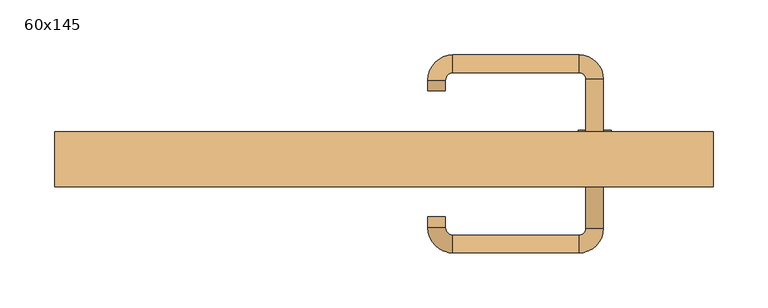
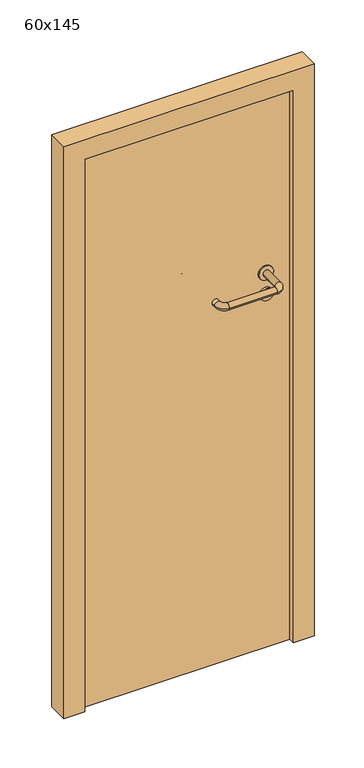
"""IFC4 building model written with IfcOpenShell, lengths in millimetres: door geometry, 60x145."""

import ifcopenshell
import ifcopenshell.guid

model = None  # the IFC model being written
_history = None  # IfcOwnerHistory: only IFC2X3 demands one
_inside = {}  # id of a spatial element -> (the spatial element, [elements in it])
_under = {}  # id of a project, library or spatial element -> (it, [spatial elements below it])
_declared = {}  # id of a project -> (the project, [libraries it declares])
_typed = {}  # id of a type object -> (the type object, [elements of that type])
_made_of = {}  # id of a material, layer set ... -> (it, [elements and type objects made of it])


def new_model(schema):
    """Start an empty IFC model of exactly this schema.

    Asked for "IFC4X3", IfcOpenShell would pick the latest addendum, in which some entities
    have other attributes; the version numbers below select the first issue.
    IFC2X3 requires an IfcOwnerHistory on every rooted entity: one is made here for all.
    """
    global model, _history
    if schema == "IFC4X3":
        model = ifcopenshell.file(schema_version=(4, 3, 0, 0))
    else:
        model = ifcopenshell.file(schema=schema)
    _inside.clear()
    _under.clear()
    _declared.clear()
    _typed.clear()
    _made_of.clear()
    _history = None
    if model.schema == "IFC2X3":
        org = make("IfcOrganization", Name="unknown")
        user = make(
            "IfcPersonAndOrganization",
            ThePerson=make("IfcPerson", FamilyName="unknown"),
            TheOrganization=org,
        )
        app = make(
            "IfcApplication",
            ApplicationDeveloper=org,
            Version="unknown",
            ApplicationFullName="unknown",
            ApplicationIdentifier="unknown",
        )
        _history = make(
            "IfcOwnerHistory",
            OwningUser=user,
            OwningApplication=app,
            ChangeAction="ADDED",
            CreationDate=0,
        )
    return model


def make(cls, **values):
    """One entity of the class cls with the attributes given. An attribute that is None is left unset."""
    return model.create_entity(
        cls, **{name: value for name, value in values.items() if value is not None}
    )


def rooted(cls, **values):
    """An entity with a GlobalId (a new one), such as an element, a storey or a relation."""
    return make(cls, GlobalId=ifcopenshell.guid.new(), OwnerHistory=_history, **values)


def si_unit(unit_type, name, prefix=None):
    """IfcSIUnit, for example si_unit("LENGTHUNIT", "METRE", prefix="MILLI")."""
    return make("IfcSIUnit", UnitType=unit_type, Prefix=prefix, Name=name)


def assignment(units):
    """IfcUnitAssignment: the units of a project."""
    return None if units is None else make("IfcUnitAssignment", Units=units)


def point(xyz):
    """IfcCartesianPoint."""
    return None if xyz is None else make("IfcCartesianPoint", Coordinates=xyz)


def direction(xyz):
    """IfcDirection."""
    return None if xyz is None else make("IfcDirection", DirectionRatios=xyz)


def frame(location, z_axis=None, x_axis=None):
    """IfcAxis2Placement3D, a coordinate frame: its origin and axes. An axis left out is left unset."""
    return make(
        "IfcAxis2Placement3D",
        Location=point(location),
        Axis=direction(z_axis),
        RefDirection=direction(x_axis),
    )


def frame_2d(location, x_axis=None):
    """IfcAxis2Placement2D, a coordinate frame in the plane: its origin and x axis."""
    return make(
        "IfcAxis2Placement2D", Location=point(location), RefDirection=direction(x_axis)
    )


def origin():
    """The frame at (0, 0, 0) with its axes left unset."""
    return frame((0.0, 0.0, 0.0))


def origin_with_axes():
    """The frame at (0, 0, 0) with the z axis (0, 0, 1) and the x axis (1, 0, 0) written out."""
    return frame((0.0, 0.0, 0.0), z_axis=(0.0, 0.0, 1.0), x_axis=(1.0, 0.0, 0.0))


def place(relative_to, where):
    """IfcLocalPlacement: puts the frame where relative to a parent placement (None: the world)."""
    return make(
        "IfcLocalPlacement", PlacementRelTo=relative_to, RelativePlacement=where
    )


def context(
    kind, dimensions, precision=None, world=None, true_north=None, identifier=None
):
    """IfcGeometricRepresentationContext, for example the 3D "Model" context."""
    return make(
        "IfcGeometricRepresentationContext",
        ContextIdentifier=identifier,
        ContextType=kind,
        CoordinateSpaceDimension=dimensions,
        Precision=precision,
        WorldCoordinateSystem=world,
        TrueNorth=true_north,
    )


def project(units=None, contexts=None):
    """IfcProject with its units and contexts."""
    return rooted(
        "IfcProject",
        Name="project",
        RepresentationContexts=contexts,
        UnitsInContext=assignment(units),
    )


def spatial(cls, under=None, at=None, **own):
    """A site, building, storey or space (cls), placed at a placement, below another one or the project."""
    s = rooted(cls, ObjectPlacement=at, **own)
    if under is not None:
        _under.setdefault(under.id(), (under, []))[1].append(s)
    return s


def polyline(points):
    """IfcPolyline through the points."""
    return make("IfcPolyline", Points=[point(p) for p in points])


def circle_curve(where, radius):
    """IfcCircle in the frame where."""
    return make("IfcCircle", Position=where, Radius=radius)


def ellipse_curve(where, semi_axis1, semi_axis2):
    """IfcEllipse in the frame where."""
    return make(
        "IfcEllipse", Position=where, SemiAxis1=semi_axis1, SemiAxis2=semi_axis2
    )


def trimmed(basis, trim1, trim2, sense, master):
    """IfcTrimmedCurve: the piece of a basis curve between two trims."""
    return make(
        "IfcTrimmedCurve",
        BasisCurve=basis,
        Trim1=trim1,
        Trim2=trim2,
        SenseAgreement=sense,
        MasterRepresentation=master,
    )


def segment(curve, same_sense, transition):
    """IfcCompositeCurveSegment."""
    return make(
        "IfcCompositeCurveSegment",
        Transition=transition,
        SameSense=same_sense,
        ParentCurve=curve,
    )


def composite_curve(segments, self_intersect=None):
    """IfcCompositeCurve: segments joined end to end."""
    return make("IfcCompositeCurve", Segments=segments, SelfIntersect=self_intersect)


def outline(outer, holes=None, kind="AREA"):
    """IfcArbitraryClosedProfileDef: a profile drawn as a closed curve; with holes, ...WithVoids."""
    if holes is None:
        return make("IfcArbitraryClosedProfileDef", ProfileType=kind, OuterCurve=outer)
    return make(
        "IfcArbitraryProfileDefWithVoids",
        ProfileType=kind,
        OuterCurve=outer,
        InnerCurves=holes,
    )


def extrude(swept, where, along, depth):
    """IfcExtrudedAreaSolid: the profile swept, set in the frame where, extruded along a direction by depth."""
    return make(
        "IfcExtrudedAreaSolid",
        SweptArea=swept,
        Position=where,
        ExtrudedDirection=direction(along),
        Depth=depth,
    )


def shape(context_of_items, identifier, shape_type, items):
    """IfcShapeRepresentation: the items that make up one representation, for example the "Body"."""
    return make(
        "IfcShapeRepresentation",
        ContextOfItems=context_of_items,
        RepresentationIdentifier=identifier,
        RepresentationType=shape_type,
        Items=items,
    )


def source(mapping_origin, context_of_items, identifier, shape_type, items):
    """IfcRepresentationMap: a shape defined once, which mapped items show again and again."""
    return make(
        "IfcRepresentationMap",
        MappingOrigin=mapping_origin,
        MappedRepresentation=shape(context_of_items, identifier, shape_type, items),
    )


def transform(
    local_origin,
    x_axis=None,
    y_axis=None,
    z_axis=None,
    scale=None,
    scale2=None,
    scale3=None,
    uniform=True,
):
    """IfcCartesianTransformationOperator3D, or its non-uniform kind. x_axis, y_axis, z_axis: its Axis1, 2, 3."""
    if uniform:
        return make(
            "IfcCartesianTransformationOperator3D",
            Axis1=direction(x_axis),
            Axis2=direction(y_axis),
            LocalOrigin=point(local_origin),
            Scale=scale,
            Axis3=direction(z_axis),
        )
    return make(
        "IfcCartesianTransformationOperator3DnonUniform",
        Axis1=direction(x_axis),
        Axis2=direction(y_axis),
        LocalOrigin=point(local_origin),
        Scale=scale,
        Axis3=direction(z_axis),
        Scale2=scale2,
        Scale3=scale3,
    )


def mapped(mapping_source, mapping_target):
    """IfcMappedItem: shows the shape of a source again, moved by a transform."""
    return make(
        "IfcMappedItem", MappingSource=mapping_source, MappingTarget=mapping_target
    )


def made_of(thing, what):
    """Note that an element or type object is made of a material, layer set ...; save() writes the relation."""
    if what is not None:
        _made_of.setdefault(what.id(), (what, []))[1].append(thing)
    return thing


def element(
    cls,
    number,
    at=None,
    inside=None,
    cuts=None,
    type_object=None,
    material=None,
    context=None,
    identifier="Body",
    shape_type=None,
    held_by="IfcProductDefinitionShape",
    body=None,
    shapes=None,
    **own,
):
    """One element of the class cls, such as IfcWall. Its Tag is "e" and its number.

    at: its placement. inside: the storey or other place that contains it. cuts: it is an
    opening in that element (IfcRelVoidsElement). A single representation is given by context,
    identifier, shape_type and body (its items); several are given by shapes. held_by: the class
    of the entity that holds the representations. save() writes the other relations.
    """
    e = rooted(cls, Tag="e%d" % number, ObjectPlacement=at, **own)
    if body is not None:
        shapes = [shape(context, identifier, shape_type, body)]
    if shapes is not None:
        e.Representation = make(held_by, Representations=shapes)
    if inside is not None:
        _inside.setdefault(inside.id(), (inside, []))[1].append(e)
    if cuts is not None:
        rooted(
            "IfcRelVoidsElement", RelatingBuildingElement=cuts, RelatedOpeningElement=e
        )
    if type_object is not None:
        _typed.setdefault(type_object.id(), (type_object, []))[1].append(e)
    return made_of(e, material)


def aggregate(whole, parts):
    """IfcRelAggregates: a whole, such as a stair, and the parts it consists of."""
    return rooted("IfcRelAggregates", RelatingObject=whole, RelatedObjects=parts)


def save(model, path):
    """Write the relations noted so far, then the file.

    IfcRelAggregates (storeys below a building ...), IfcRelContainedInSpatialStructure (elements
    in a storey), IfcRelDefinesByType, IfcRelAssociatesMaterial and IfcRelDeclares: one each for
    every whole, place, type object, material and project.
    """
    for whole, parts in _under.values():
        aggregate(whole, parts)
    for where, things in _inside.values():
        rooted(
            "IfcRelContainedInSpatialStructure",
            RelatedElements=things,
            RelatingStructure=where,
        )
    for kind, things in _typed.values():
        rooted("IfcRelDefinesByType", RelatedObjects=things, RelatingType=kind)
    for what, things in _made_of.values():
        rooted("IfcRelAssociatesMaterial", RelatedObjects=things, RelatingMaterial=what)
    for by, libraries in _declared.values():
        rooted("IfcRelDeclares", RelatingContext=by, RelatedDefinitions=libraries)
    model.write(path)


def plane_surface(at):
    """IfcPlane: the flat surface through the origin of the frame at, square to its z axis."""
    return make("IfcPlane", Position=at)


def cylinder_surface(at, radius):
    """IfcCylindricalSurface: all points at the distance radius from the z axis of the frame at."""
    return make("IfcCylindricalSurface", Position=at, Radius=radius)


def revolved_surface(curve, axis_point, axis_direction):
    """IfcSurfaceOfRevolution: the curve turned about the line through axis_point along axis_direction."""
    return make(
        "IfcSurfaceOfRevolution",
        SweptCurve=make("IfcArbitraryOpenProfileDef", ProfileType="CURVE", Curve=curve),
        AxisPosition=make("IfcAxis1Placement", Location=point(axis_point), Axis=direction(axis_direction)),
    )


def advanced_brep(points, edges, surfaces, faces):
    """IfcAdvancedBrep: a solid bounded by faces that lie on surfaces and meet in shared edges.

    An edge is (start, end): straight between two places in points (the first is 0);
    or (start, end, curve); or (start, end, curve, False) where it runs against its curve.
    A face is (place in surfaces, loops), or (place, loops, False) where it looks against
    its surface's normal. A loop lists edges by number (the first is 1), with a minus sign
    where the edge is run from its end to its start. The first loop is the outer one.
    """
    corners = [point(p) for p in points]
    vertices = [make("IfcVertexPoint", VertexGeometry=c) for c in corners]
    made = []
    for start, end, *more in edges:
        made.append(
            make(
                "IfcEdgeCurve",
                EdgeStart=vertices[start],
                EdgeEnd=vertices[end],
                EdgeGeometry=more[0] if more else make("IfcPolyline", Points=[corners[start], corners[end]]),
                SameSense=more[1] if len(more) > 1 else True,
            )
        )
    hull = []
    for where, loops, *sense in faces:
        bounds = []
        for j, loop in enumerate(loops):
            ring = [make("IfcOrientedEdge", EdgeElement=made[abs(k) - 1], Orientation=k > 0) for k in loop]
            bounds.append(
                make(
                    "IfcFaceOuterBound" if j == 0 else "IfcFaceBound",
                    Bound=make("IfcEdgeLoop", EdgeList=ring),
                    Orientation=True,
                )
            )
        hull.append(make("IfcAdvancedFace", Bounds=bounds, FaceSurface=surfaces[where], SameSense=sense[0] if sense else True))
    return make("IfcAdvancedBrep", Outer=make("IfcClosedShell", CfsFaces=hull))


def door_60x145_85c1153f(model_context):
    return source(origin(), model_context, "Body", "SolidModel", [
        extrude(outline(composite_curve([segment(trimmed(circle_curve(frame_2d((897.3605726, 192.0)), 15.0), [point((897.3605726, 207.0))], [point((897.3605726, 177.0))], False, "CARTESIAN"), True, "CONTINUOUS"), segment(trimmed(circle_curve(frame_2d((897.3605726, 192.0)), 15.0), [point((897.3605726, 177.0))], [point((897.3605726, 207.0))], False, "CARTESIAN"), True, "CONTINUOUS")], self_intersect=False), holes=[composite_curve([segment(trimmed(circle_curve(frame_2d((892.5833211, 191.9398032)), 2.0), [point((892.5833211, 193.9398032))], [point((892.5833211, 189.9398032))], True, "CARTESIAN"), True, "CONTINUOUS"), segment(polyline([(892.5833211, 189.9398032), (902.5833211, 189.9398032)]), True, "CONTINUOUS"), segment(trimmed(circle_curve(frame_2d((902.5833211, 191.9398032)), 2.0), [point((902.5833211, 189.9398032))], [point((902.5833211, 193.9398032))], True, "CARTESIAN"), True, "CONTINUOUS"), segment(polyline([(902.5833211, 193.9398032), (892.5833211, 193.9398032)]), True, "CONTINUOUS")], self_intersect=False)]), frame((0.0, 33.65, 0.0), z_axis=(0.0, 1.0, 0.0), x_axis=(0.0, 0.0, 1.0)), (0.0, 0.0, 1.0), 6.35),
        extrude(outline(composite_curve([segment(trimmed(circle_curve(frame_2d((950.0, 192.0)), 17.526), [point((950.0, 209.526))], [point((950.0, 174.474))], False, "CARTESIAN"), True, "CONTINUOUS"), segment(trimmed(circle_curve(frame_2d((950.0, 192.0)), 17.526), [point((950.0, 174.474))], [point((950.0, 209.526))], False, "CARTESIAN"), True, "CONTINUOUS")], self_intersect=False)), frame((0.0, 36.825, 0.0), z_axis=(0.0, 1.0, 0.0), x_axis=(0.0, 0.0, 1.0)), (0.0, 0.0, 1.0), 3.175),
        advanced_brep(
        [(200.0, 40.0, 950.0), (184.0, 40.0, 950.0), (184.0, -13.0, 950.0), (200.0, -13.0, 950.0), (177.8578644, -19.1421356, 950.0), (177.8578644, -35.1421356, 950.0), (62.8578644, -19.1421356, 950.0), (62.8578644, -35.1421356, 950.0), (56.008622, -12.2928932, 950.0), (40.008622, -12.2928932, 950.0), (40.008622, -2.2928932, 950.0), (56.008622, -2.2928932, 950.0)],
        [
            (0, 1, circle_curve(frame((192.0, 40.0, 950.0), z_axis=(0.0, 1.0, 0.0), x_axis=(-1.0, 0.0, 0.0)), 8.0)),
            (1, 0, circle_curve(frame((192.0, 40.0, 950.0), z_axis=(0.0, 1.0, 0.0), x_axis=(-1.0, 0.0, 0.0)), 8.0)),
            (1, 2),
            (2, 3, circle_curve(frame((192.0, -13.0, 950.0), z_axis=(0.0, 1.0, 0.0), x_axis=(-1.0, 0.0, 0.0)), 8.0)),
            (3, 0),
            (3, 2, circle_curve(frame((192.0, -13.0, 950.0), z_axis=(0.0, 1.0, 0.0), x_axis=(-1.0, 0.0, 0.0)), 8.0)),
            (4, 5, circle_curve(frame((177.8578644, -27.1421356, 950.0), z_axis=(1.0, 0.0, 0.0), x_axis=(0.0, 1.0, 0.0)), 8.0)),
            (5, 3, circle_curve(frame((177.8578644, -13.0, 950.0), z_axis=(0.0, 0.0, 1.0), x_axis=(1.0, 0.0, 0.0)), 22.1421356)),
            (2, 4, circle_curve(frame((177.8578644, -13.0, 950.0), z_axis=(0.0, 0.0, -1.0), x_axis=(1.0, 0.0, 0.0)), 6.1421356)),
            (5, 4, circle_curve(frame((177.8578644, -27.1421356, 950.0), z_axis=(1.0, 0.0, 0.0), x_axis=(0.0, 1.0, 0.0)), 8.0)),
            (4, 6),
            (6, 7, circle_curve(frame((62.8578644, -27.1421356, 950.0), z_axis=(1.0, 0.0, 0.0), x_axis=(0.0, 1.0, 0.0)), 8.0)),
            (7, 5),
            (7, 6, circle_curve(frame((62.8578644, -27.1421356, 950.0), z_axis=(1.0, 0.0, 0.0), x_axis=(0.0, 1.0, 0.0)), 8.0)),
            (8, 9, circle_curve(frame((48.008622, -12.2928932, 950.0), z_axis=(0.0, -1.0, 0.0), x_axis=(1.0, 0.0, 0.0)), 8.0)),
            (9, 7, circle_curve(frame((62.8578644, -12.2928932, 950.0), z_axis=(0.0, 0.0, 1.0), x_axis=(0.0, -1.0, 0.0)), 22.8492424)),
            (6, 8, circle_curve(frame((62.8578644, -12.2928932, 950.0), z_axis=(0.0, 0.0, -1.0), x_axis=(0.0, -1.0, 0.0)), 6.8492424)),
            (9, 8, circle_curve(frame((48.008622, -12.2928932, 950.0), z_axis=(0.0, -1.0, 0.0), x_axis=(1.0, 0.0, 0.0)), 8.0)),
            (10, 11, circle_curve(frame((48.008622, -2.2928932, 950.0), z_axis=(0.0, 1.0, 0.0), x_axis=(1.0, 0.0, 0.0)), 8.0)),
            (11, 10, circle_curve(frame((48.008622, -2.2928932, 950.0), z_axis=(0.0, 1.0, 0.0), x_axis=(1.0, 0.0, 0.0)), 8.0)),
            (8, 11),
            (10, 9),
        ],
        [
            plane_surface(frame((192.0, 40.0, 170.0), z_axis=(0.0, 1.0, 0.0), x_axis=(0.0, 0.0, 1.0))),
            cylinder_surface(frame((192.0, 40.0, 950.0), z_axis=(0.0, 1.0, 0.0), x_axis=(-1.0, 0.0, 0.0)), 8.0),
            revolved_surface(trimmed(ellipse_curve(frame((192.0, -13.0, 950.0), z_axis=(0.0, -1.0, 0.0), x_axis=(-1.0, 0.0, 0.0)), 8.0, 8.0), [point((200.0, -13.0, 950.0))], [point((184.0, -13.0, 950.0))], True, "CARTESIAN"), (177.8578644, -13.0, 170.0), (0.0, 0.0, 1.0)),
            revolved_surface(trimmed(ellipse_curve(frame((192.0, -13.0, 950.0), z_axis=(0.0, -1.0, 0.0), x_axis=(-1.0, 0.0, 0.0)), 8.0, 8.0), [point((184.0, -13.0, 950.0))], [point((200.0, -13.0, 950.0))], True, "CARTESIAN"), (177.8578644, -13.0, 170.0), (0.0, 0.0, 1.0)),
            cylinder_surface(frame((177.8578644, -27.1421356, 950.0), z_axis=(1.0, 0.0, 0.0), x_axis=(0.0, 1.0, 0.0)), 8.0),
            revolved_surface(trimmed(ellipse_curve(frame((62.8578644, -27.1421356, 950.0), z_axis=(-1.0, 0.0, 0.0), x_axis=(0.0, 1.0, 0.0)), 8.0, 8.0), [point((62.8578644, -35.1421356, 950.0))], [point((62.8578644, -19.1421356, 950.0))], True, "CARTESIAN"), (62.8578644, -12.2928932, 170.0), (0.0, 0.0, 1.0)),
            revolved_surface(trimmed(ellipse_curve(frame((62.8578644, -27.1421356, 950.0), z_axis=(-1.0, 0.0, 0.0), x_axis=(0.0, 1.0, 0.0)), 8.0, 8.0), [point((62.8578644, -19.1421356, 950.0))], [point((62.8578644, -35.1421356, 950.0))], True, "CARTESIAN"), (62.8578644, -12.2928932, 170.0), (0.0, 0.0, 1.0)),
            plane_surface(frame((48.008622, -2.2928932, 170.0), z_axis=(0.0, 1.0, 0.0), x_axis=(0.0, 0.0, 1.0))),
            cylinder_surface(frame((48.008622, -12.2928932, 950.0), z_axis=(0.0, -1.0, 0.0), x_axis=(1.0, 0.0, 0.0)), 8.0),
        ],
        [
            (0, [[1, 2]]),
            (1, [[3, 4, 5, -2]]),
            (1, [[-5, 6, -3, -1]]),
            (2, [[7, 8, -4, 9]]),
            (3, [[10, -9, -6, -8]]),
            (4, [[11, 12, 13, -7]]),
            (4, [[-13, 14, -11, -10]]),
            (5, [[15, 16, -12, 17]]),
            (6, [[18, -17, -14, -16]]),
            (7, [[19, 20]]),
            (8, [[21, -19, 22, -15]]),
            (8, [[-22, -20, -21, -18]]),
        ],
    ),
        extrude(outline(composite_curve([segment(trimmed(circle_curve(frame_2d((0.0, -15.0)), 15.0), [point((0.0, -30.0))], [point((0.0, 0.0))], False, "CARTESIAN"), True, "CONTINUOUS"), segment(trimmed(circle_curve(frame_2d((0.0, -15.0)), 15.0), [point((0.0, 0.0))], [point((0.0, -30.0))], False, "CARTESIAN"), True, "CONTINUOUS")], self_intersect=False), holes=[composite_curve([segment(trimmed(circle_curve(frame_2d((4.7772515, -14.9398032)), 2.0), [point((4.7772515, -16.9398032))], [point((4.7772515, -12.9398032))], True, "CARTESIAN"), True, "CONTINUOUS"), segment(polyline([(4.7772515, -12.9398032), (-5.2227485, -12.9398032)]), True, "CONTINUOUS"), segment(trimmed(circle_curve(frame_2d((-5.2227485, -14.9398032)), 2.0), [point((-5.2227485, -12.9398032))], [point((-5.2227485, -16.9398032))], True, "CARTESIAN"), True, "CONTINUOUS"), segment(polyline([(-5.2227485, -16.9398032), (4.7772515, -16.9398032)]), True, "CONTINUOUS")], self_intersect=False)]), frame((177.0, 70.0, 897.3605726), z_axis=(1.8870575173328306e-12, 1.0, 0.0), x_axis=(0.0, 0.0, -1.0)), (0.0, 0.0, 1.0), 6.35),
        extrude(outline(composite_curve([segment(trimmed(circle_curve(frame_2d((0.0, -17.526)), 17.526), [point((0.0, -35.052))], [point((0.0, 0.0))], False, "CARTESIAN"), True, "CONTINUOUS"), segment(trimmed(circle_curve(frame_2d((0.0, -17.526)), 17.526), [point((0.0, 0.0))], [point((0.0, -35.052))], False, "CARTESIAN"), True, "CONTINUOUS")], self_intersect=False)), frame((174.474, 70.0, 950.0), z_axis=(1.8870575173328306e-12, 1.0, 0.0), x_axis=(0.0, 0.0, -1.0)), (0.0, 0.0, 1.0), 3.175),
        advanced_brep(
        [(200.0, 70.0, 950.0), (184.0, 70.0, 950.0), (200.0, 123.0, 950.0), (184.0, 123.0, 950.0), (177.8578644, 129.1421356, 950.0), (177.8578644, 145.1421356, 950.0), (62.8578644, 145.1421356, 950.0), (62.8578644, 129.1421356, 950.0), (56.008622, 122.2928932, 950.0), (40.008622, 122.2928932, 950.0), (40.008622, 112.2928932, 950.0), (56.008622, 112.2928932, 950.0)],
        [
            (0, 1, circle_curve(frame((192.0, 70.0, 950.0), z_axis=(-1.888672253512351e-12, -1.0, 0.0), x_axis=(-1.0, 1.888672253512351e-12, 0.0)), 8.0)),
            (1, 0, circle_curve(frame((192.0, 70.0, 950.0), z_axis=(-1.888672253512351e-12, -1.0, 0.0), x_axis=(-1.0, 1.888672253512351e-12, 0.0)), 8.0)),
            (0, 2),
            (2, 3, circle_curve(frame((192.0, 123.0, 950.0), z_axis=(-1.888672253512351e-12, -1.0, 0.0), x_axis=(-1.0, 1.888672253512351e-12, 0.0)), 8.0)),
            (3, 1),
            (3, 2, circle_curve(frame((192.0, 123.0, 950.0), z_axis=(-1.888672253512351e-12, -1.0, 0.0), x_axis=(-1.0, 1.888672253512351e-12, 0.0)), 8.0)),
            (4, 3, circle_curve(frame((177.8578644, 123.0, 950.0), z_axis=(0.0, 0.0, -1.0), x_axis=(1.0, -1.880717803715015e-12, 0.0)), 6.1421356)),
            (2, 5, circle_curve(frame((177.8578644, 123.0, 950.0), z_axis=(0.0, 0.0, 1.0), x_axis=(1.0, -1.880717803715015e-12, 0.0)), 22.1421356)),
            (5, 4, circle_curve(frame((177.8578644, 137.1421356, 950.0), z_axis=(1.0, -1.913702061528922e-12, 0.0), x_axis=(-1.913702061528922e-12, -1.0, 0.0)), 8.0)),
            (4, 5, circle_curve(frame((177.8578644, 137.1421356, 950.0), z_axis=(1.0, -1.913702061528922e-12, 0.0), x_axis=(-1.913702061528922e-12, -1.0, 0.0)), 8.0)),
            (5, 6),
            (6, 7, circle_curve(frame((62.8578644, 137.1421356, 950.0), z_axis=(1.0, -1.913719828541269e-12, 0.0), x_axis=(-1.913719828541269e-12, -1.0, 0.0)), 8.0)),
            (7, 4),
            (7, 6, circle_curve(frame((62.8578644, 137.1421356, 950.0), z_axis=(1.0, -1.913719828541269e-12, 0.0), x_axis=(-1.913719828541269e-12, -1.0, 0.0)), 8.0)),
            (8, 7, circle_curve(frame((62.8578644, 122.2928932, 950.0), z_axis=(0.0, 0.0, -1.0), x_axis=(1.9120873253494017e-12, 1.0, 0.0)), 6.8492424)),
            (6, 9, circle_curve(frame((62.8578644, 122.2928932, 950.0), z_axis=(0.0, 0.0, 1.0), x_axis=(1.9120873253494017e-12, 1.0, 0.0)), 22.8492424)),
            (9, 8, circle_curve(frame((48.008622, 122.2928932, 950.0), z_axis=(1.890670654956676e-12, 1.0, 0.0), x_axis=(1.0, -1.890670654956676e-12, 0.0)), 8.0)),
            (8, 9, circle_curve(frame((48.008622, 122.2928932, 950.0), z_axis=(1.890226565746826e-12, 1.0, 0.0), x_axis=(1.0, -1.890226565746826e-12, 0.0)), 8.0)),
            (10, 11, circle_curve(frame((48.008622, 112.2928932, 950.0), z_axis=(-1.8903642334018795e-12, -1.0, 0.0), x_axis=(1.0, -1.8903642334018795e-12, 0.0)), 8.0)),
            (11, 10, circle_curve(frame((48.008622, 112.2928932, 950.0), z_axis=(-1.8903642334018795e-12, -1.0, 0.0), x_axis=(1.0, -1.8903642334018795e-12, 0.0)), 8.0)),
            (9, 10),
            (11, 8),
        ],
        [
            plane_surface(frame((192.0, 70.0, 170.0), z_axis=(-1.8870575173328306e-12, -1.0, 0.0), x_axis=(0.0, 0.0, 1.0))),
            cylinder_surface(frame((192.0, 70.0, 950.0), z_axis=(-1.888672253512351e-12, -1.0, 0.0), x_axis=(-1.0, 1.888672253512351e-12, 0.0)), 8.0),
            revolved_surface(trimmed(ellipse_curve(frame((192.0, 123.0, 950.0), z_axis=(-1.8823325398945356e-12, -1.0, 0.0), x_axis=(-1.0, 1.8823325398945356e-12, 0.0)), 8.0, 8.0), [point((200.0, 123.0, 950.0))], [point((184.0, 123.0, 950.0))], True, "CARTESIAN"), (177.8578644, 123.0, 170.0), (0.0, 0.0, 1.0)),
            revolved_surface(trimmed(ellipse_curve(frame((192.0, 123.0, 950.0), z_axis=(-1.8823325398945356e-12, -1.0, 0.0), x_axis=(-1.0, 1.8823325398945356e-12, 0.0)), 8.0, 8.0), [point((184.0, 123.0, 950.0))], [point((200.0, 123.0, 950.0))], True, "CARTESIAN"), (177.8578644, 123.0, 170.0), (0.0, 0.0, 1.0)),
            cylinder_surface(frame((177.8578644, 137.1421356, 950.0), z_axis=(1.0, -1.913719828541269e-12, 0.0), x_axis=(-1.913719828541269e-12, -1.0, 0.0)), 8.0),
            revolved_surface(trimmed(ellipse_curve(frame((62.8578644, 137.1421356, 950.0), z_axis=(1.0, -1.913702061528922e-12, 0.0), x_axis=(-1.913702061528922e-12, -1.0, 0.0)), 8.0, 8.0), [point((62.8578644, 145.1421356, 950.0))], [point((62.8578644, 129.1421356, 950.0))], True, "CARTESIAN"), (62.8578644, 122.2928932, 170.0), (0.0, 0.0, 1.0)),
            revolved_surface(trimmed(ellipse_curve(frame((62.8578644, 137.1421356, 950.0), z_axis=(1.0, -1.913702061528922e-12, 0.0), x_axis=(-1.913702061528922e-12, -1.0, 0.0)), 8.0, 8.0), [point((62.8578644, 129.1421356, 950.0))], [point((62.8578644, 145.1421356, 950.0))], True, "CARTESIAN"), (62.8578644, 122.2928932, 170.0), (0.0, 0.0, 1.0)),
            plane_surface(frame((48.008622, 112.2928932, 170.0), z_axis=(-1.8887494972223595e-12, -1.0, 0.0), x_axis=(0.0, 0.0, 1.0))),
            cylinder_surface(frame((48.008622, 122.2928932, 950.0), z_axis=(1.8903642334018795e-12, 1.0, 0.0), x_axis=(1.0, -1.8903642334018795e-12, 0.0)), 8.0),
        ],
        [
            (0, [[1, 2]]),
            (1, [[-1, 3, 4, 5]]),
            (1, [[-2, -5, 6, -3]]),
            (2, [[7, -4, 8, 9]]),
            (3, [[-8, -6, -7, 10]]),
            (4, [[-9, 11, 12, 13]]),
            (4, [[-10, -13, 14, -11]]),
            (5, [[15, -12, 16, 17]]),
            (6, [[-16, -14, -15, 18]]),
            (7, [[19, 20]]),
            (8, [[-17, 21, -20, 22]]),
            (8, [[-18, -22, -19, -21]]),
        ],
    ),
        extrude(outline(polyline([(1400.0, 250.0), (0.0, 250.0), (0.0, 300.0), (1450.0, 300.0), (1450.0, -300.0), (0.0, -300.0), (0.0, -250.0), (1400.0, -250.0), (1400.0, 250.0)])), frame((0.0, 25.0, 0.0), z_axis=(0.0, 1.0, 0.0), x_axis=(0.0, 0.0, 1.0)), (0.0, 0.0, 1.0), 50.0),
        extrude(outline(polyline([(-250.0, 70.0), (250.0, 70.0), (250.0, 40.0), (-250.0, 40.0), (-250.0, 70.0)])), origin_with_axes(), (0.0, 0.0, 1.0), 1400.0),
    ])


if __name__ == "__main__":
    model = new_model("IFC4")
    model_context = context("Model", 3, world=origin())
    ifc_project = project(units=[si_unit("LENGTHUNIT", "METRE", prefix="MILLI")], contexts=[model_context])
    site = spatial("IfcSite", under=ifc_project)
    building = spatial("IfcBuilding", under=site)
    placement = place(None, origin())
    door_60x145_shape = door_60x145_85c1153f(model_context)
    element("IfcDoor", 1, ObjectType="60x145", at=placement, inside=building, context=model_context, shape_type="MappedRepresentation", body=[
        mapped(door_60x145_shape, transform((0.0, 0.0, 0.0), x_axis=(1.0, 0.0, 0.0), y_axis=(0.0, 1.0, 0.0), z_axis=(0.0, 0.0, 1.0))),
    ])
    save(model, "model.ifc")
